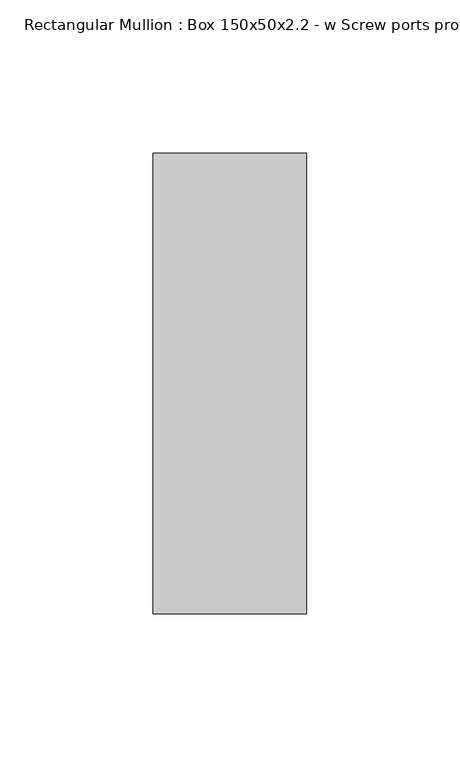
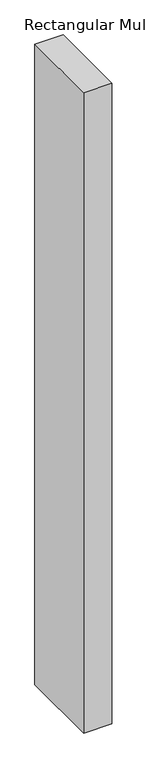
"""IFC4 building model written with IfcOpenShell, lengths in millimetres: member geometry, Rectangular Mullion : Box 150x50x2.2 - w Screw ports profile."""

from ifc_helpers import new_model, si_unit, frame, origin, place, context, project, spatial, polyline, outline, extrude, source, transform, mapped, element, save


def rectangular_mullion_box_150x50x2_2_w_screw_ports_profile_d99dc9be(model_context):
    return source(origin(), model_context, "Body", "SweptSolid", [
        extrude(outline(polyline([(25.0, 75.0), (25.0, -75.0), (-25.0, -75.0), (-25.0, 75.0), (25.0, 75.0)])), frame((0.0, 0.0, -1200.0), z_axis=(0.0, 0.0, 1.0), x_axis=(1.0, 0.0, 0.0)), (0.0, 0.0, 1.0), 1200.0),
    ])


if __name__ == "__main__":
    model = new_model("IFC4")
    model_context = context("Model", 3, world=origin())
    ifc_project = project(units=[si_unit("LENGTHUNIT", "METRE", prefix="MILLI")], contexts=[model_context])
    site = spatial("IfcSite", under=ifc_project)
    building = spatial("IfcBuilding", under=site)
    placement = place(None, origin())
    rectangular_mullion_box_150x50x2_2_w_screw_ports_profile_shape = rectangular_mullion_box_150x50x2_2_w_screw_ports_profile_d99dc9be(model_context)
    element("IfcMember", 1, ObjectType="Rectangular Mullion : Box 150x50x2.2 - w Screw ports profile", at=placement, inside=building, context=model_context, shape_type="MappedRepresentation", body=[
        mapped(rectangular_mullion_box_150x50x2_2_w_screw_ports_profile_shape, transform((0.0, 0.0, 0.0), x_axis=(1.0, 0.0, 0.0), y_axis=(0.0, 1.0, 0.0), z_axis=(0.0, 0.0, 1.0))),
    ])
    save(model, "model.ifc")
